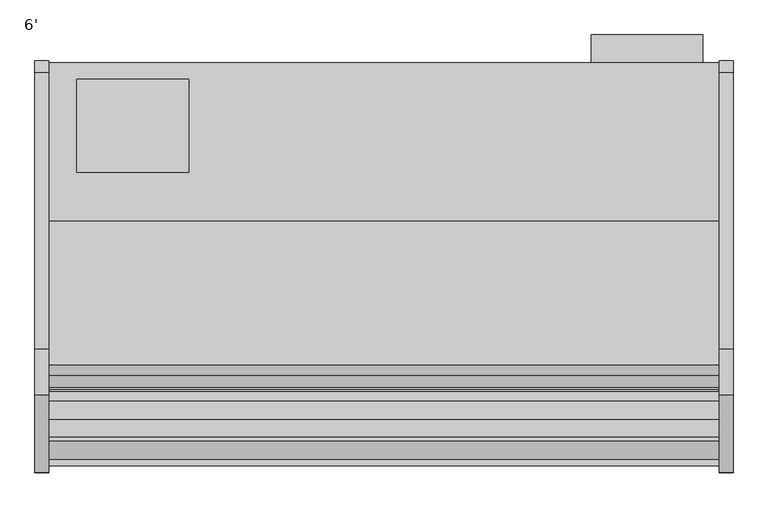
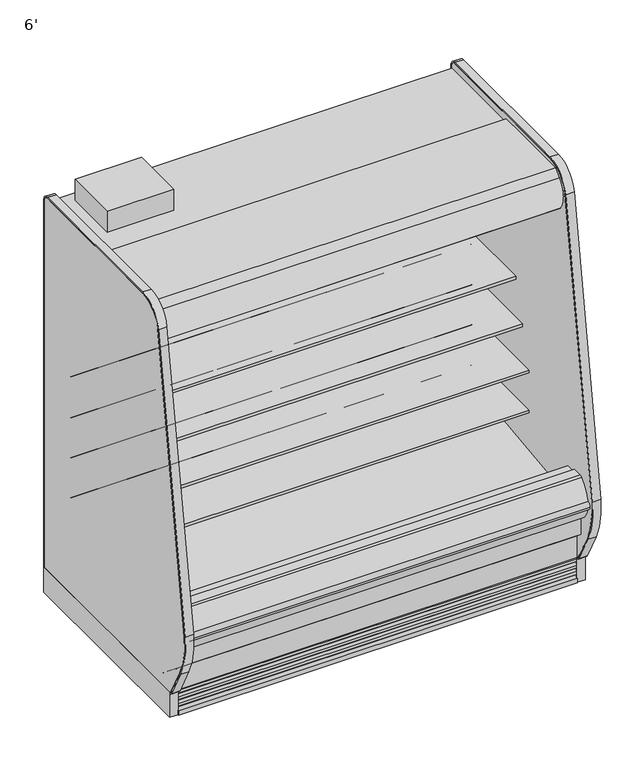
"""IFC4 building model written with IfcOpenShell, lengths in millimetres: proxy geometry, 6'."""

from ifc_helpers import new_model, si_unit, point, frame, frame_2d, origin, origin_with_axes, place, context, project, spatial, polyline, circle_curve, trimmed, segment, composite_curve, outline, extrude, faceted_brep, source, transform, mapped, element, save
from ifc_brep_helpers import plane_surface, revolved_surface, advanced_brep


def proxy_6_bc4890c7(model_context):
    return source(origin(), model_context, "Body", "SolidModel", [
        extrude(outline(polyline([(1784.0493176, -325.3089273), (1784.0493176, -401.5089273), (1479.5920708, -401.5089273), (1479.5920708, -325.3089273), (1784.0493176, -325.3089273)])), frame((0.0, 0.0, 249.9360001), z_axis=(0.0, 0.0, 1.0), x_axis=(1.0, 0.0, 0.0)), (0.0, 0.0, 1.0), 1473.2),
        extrude(outline(polyline([(381.0, -445.9589273), (381.0, -699.9589273), (76.2, -699.9589273), (76.2, -445.9589273), (381.0, -445.9589273)])), frame((0.0, 0.0, 1887.6264001), z_axis=(0.0, 0.0, 1.0), x_axis=(1.0, 0.0, 0.0)), (0.0, 0.0, 1.0), 101.6),
        extrude(outline(composite_curve([segment(trimmed(circle_curve(frame_2d((1581.1390223, -1128.5839273)), 9.525), [point((1571.6140223, -1128.5839273))], [point((1590.6640223, -1128.5839273))], False, "CARTESIAN"), True, "CONTINUOUS"), segment(trimmed(circle_curve(frame_2d((1581.1390223, -1128.5839273)), 9.525), [point((1590.6640223, -1128.5839273))], [point((1571.6140223, -1128.5839273))], False, "CARTESIAN"), True, "CONTINUOUS")], self_intersect=False)), frame((0.0, 0.0, 66.7090149), z_axis=(0.0, 0.0, 1.0), x_axis=(1.0, 0.0, 0.0)), (0.0, 0.0, 1.0), 57.1159851),
        extrude(outline(composite_curve([segment(trimmed(circle_curve(frame_2d((1631.9609777, -1128.5839273)), 12.7), [point((1619.2609777, -1128.5839273))], [point((1644.6609777, -1128.5839273))], False, "CARTESIAN"), True, "CONTINUOUS"), segment(trimmed(circle_curve(frame_2d((1631.9609777, -1128.5839273)), 12.7), [point((1644.6609777, -1128.5839273))], [point((1619.2609777, -1128.5839273))], False, "CARTESIAN"), True, "CONTINUOUS")], self_intersect=False)), frame((0.0, 0.0, 66.7090149), z_axis=(0.0, 0.0, 1.0), x_axis=(1.0, 0.0, 0.0)), (0.0, 0.0, 1.0), 57.1159851),
        extrude(outline(polyline([(-755.1545651, 1783.4415628), (-755.1545651, 1781.6658555), (-767.0608151, 1781.6658555), (-802.7795651, 1757.8533555), (-802.7795651, 1781.6658555), (-823.4170651, 1781.6658555), (-823.4170651, 1723.0879735), (-820.1404345, 1706.9586386), (-821.6961576, 1706.6425977), (-825.0045651, 1722.9283555), (-825.0045651, 1783.4415628), (-755.1545651, 1783.4415628)])), frame((0.0, 0.0, 0.0), z_axis=(1.0, 0.0, 0.0), x_axis=(0.0, 1.0, 0.0)), (0.0, 0.0, 1.0), 1828.8),
        extrude(outline(composite_curve([segment(trimmed(circle_curve(frame_2d((-775.117495, 1753.94528)), 14.2875), [point((-789.404995, 1753.94528))], [point((-760.829995, 1753.94528))], False, "CARTESIAN"), True, "CONTINUOUS"), segment(trimmed(circle_curve(frame_2d((-775.117495, 1753.94528)), 14.2875), [point((-760.829995, 1753.94528))], [point((-789.404995, 1753.94528))], False, "CARTESIAN"), True, "CONTINUOUS")], self_intersect=False)), frame((0.0, 0.0, 0.0), z_axis=(1.0, 0.0, 0.0), x_axis=(0.0, 1.0, 0.0)), (0.0, 0.0, 1.0), 1828.8),
        extrude(outline(composite_curve([segment(polyline([(-504.9331995, 1188.9777893), (-504.9331995, 1113.876763), (-528.313746, 1113.876763)]), True, "CONTINUOUS"), segment(trimmed(circle_curve(frame_2d((-528.7455821, 1139.2730918)), 25.4), [point((-528.313746, 1113.876763))], [point((-544.7229383, 1119.5276091))], False, "CARTESIAN"), True, "CONTINUOUS"), segment(polyline([(-544.7229383, 1119.5276091), (-562.5749995, 1133.9728746)]), True, "CONTINUOUS"), segment(trimmed(circle_curve(frame_2d((-602.5183901, 1084.6091679)), 63.5), [point((-562.5749995, 1133.9728746))], [point((-594.6205089, 1147.6160998))], True, "CARTESIAN"), True, "CONTINUOUS"), segment(polyline([(-594.6205089, 1147.6160998), (-869.1842482, 1171.3132372), (-870.6730247, 1174.7537893), (-911.2738035, 1174.7537893), (-911.2738035, 1188.9777893), (-504.9331995, 1188.9777893)]), True, "CONTINUOUS")], self_intersect=False)), frame((0.0, 0.0, 0.0), z_axis=(1.0, 0.0, 0.0), x_axis=(0.0, 1.0, 0.0)), (0.0, 0.0, 1.0), 1828.8),
        extrude(outline(composite_curve([segment(polyline([(-504.9331995, 990.7659479), (-504.9331995, 915.6649215), (-528.313746, 915.6649215)]), True, "CONTINUOUS"), segment(trimmed(circle_curve(frame_2d((-528.7455821, 941.0612503)), 25.4), [point((-528.313746, 915.6649215))], [point((-544.7229383, 921.3157676))], False, "CARTESIAN"), True, "CONTINUOUS"), segment(polyline([(-544.7229383, 921.3157676), (-562.5749995, 935.7610332)]), True, "CONTINUOUS"), segment(trimmed(circle_curve(frame_2d((-602.5183901, 886.3973264)), 63.5), [point((-562.5749995, 935.7610332))], [point((-594.6205089, 949.4042583))], True, "CARTESIAN"), True, "CONTINUOUS"), segment(polyline([(-594.6205089, 949.4042583), (-869.1842482, 973.1013958), (-870.6730247, 976.5419479), (-962.1331995, 976.5419479), (-962.1331995, 990.7659479), (-504.9331995, 990.7659479)]), True, "CONTINUOUS")], self_intersect=False)), frame((0.0, 0.0, 0.0), z_axis=(1.0, 0.0, 0.0), x_axis=(0.0, 1.0, 0.0)), (0.0, 0.0, 1.0), 1828.8),
        extrude(outline(composite_curve([segment(trimmed(circle_curve(frame_2d((-1161.4667676, 1760.0428978)), 14.2875), [point((-1175.7542676, 1760.0428978))], [point((-1147.1792676, 1760.0428978))], False, "CARTESIAN"), True, "CONTINUOUS"), segment(trimmed(circle_curve(frame_2d((-1161.4667676, 1760.0428978)), 14.2875), [point((-1147.1792676, 1760.0428978))], [point((-1175.7542676, 1760.0428978))], False, "CARTESIAN"), True, "CONTINUOUS")], self_intersect=False)), frame((0.0, 0.0, 0.0), z_axis=(1.0, 0.0, 0.0), x_axis=(0.0, 1.0, 0.0)), (0.0, 0.0, 1.0), 1828.8),
        extrude(outline(composite_curve([segment(trimmed(circle_curve(frame_2d((-1206.5480128, 1760.5691153)), 14.2875), [point((-1220.8355128, 1760.5691153))], [point((-1192.2605128, 1760.5691153))], False, "CARTESIAN"), True, "CONTINUOUS"), segment(trimmed(circle_curve(frame_2d((-1206.5480128, 1760.5691153)), 14.2875), [point((-1192.2605128, 1760.5691153))], [point((-1220.8355128, 1760.5691153))], False, "CARTESIAN"), True, "CONTINUOUS")], self_intersect=False)), frame((0.0, 0.0, 0.0), z_axis=(1.0, 0.0, 0.0), x_axis=(0.0, 1.0, 0.0)), (0.0, 0.0, 1.0), 1828.8),
        extrude(outline(polyline([(744.7751963, -1346.7911816), (435.3523963, -1346.7911816), (435.3523963, -1249.5865659), (744.7751963, -1249.5865659), (744.7751963, -1346.7911816)])), frame((0.0, 0.0, 53.2186364), z_axis=(0.0, 0.0, 1.0), x_axis=(1.0, 0.0, 0.0)), (0.0, 0.0, 1.0), 9.8914),
        faceted_brep([(1828.8, -1207.9589273, 130.175), (1828.8, -1275.0830824, 130.175), (1828.8, -1376.2139578, 211.8249999), (1828.8, -1376.2139578, 10.9768116), (1828.8, -1207.9589273, 10.9768116), (0.0, -1207.9589273, 130.175), (0.0, -1207.9589273, 10.9768116), (0.0, -1376.2139578, 10.9768116), (0.0, -1376.2139578, 211.8249999), (0.0, -1275.0830824, 130.175), (744.7751963, -1346.7911816, 10.9768116), (744.7751963, -1249.5865659, 10.9768116), (435.3523963, -1249.5865659, 10.9768116), (435.3523963, -1346.7911816, 10.9768116), (744.7751963, -1346.7911816, 63.1100364), (435.3523963, -1346.7911816, 63.1100364), (435.3523963, -1249.5865659, 63.1100364), (744.7751963, -1249.5865659, 63.1100364)], [[[0, 1, 2, 3, 4]], [[5, 6, 7, 8, 9]], [[1, 0, 5, 9]], [[2, 1, 9, 8]], [[3, 2, 8, 7]], [[4, 3, 7, 6], [10, 11, 12, 13]], [[0, 4, 6, 5]], [[14, 15, 16, 17]], [[14, 17, 11, 10]], [[17, 16, 12, 11]], [[16, 15, 13, 12]], [[15, 14, 10, 13]]]),
        extrude(outline(composite_curve([segment(trimmed(circle_curve(frame_2d((368.3, 1749.2090336)), 12.7), [point((368.3, 1761.9090336))], [point((368.3, 1736.5090336))], False, "CARTESIAN"), True, "CONTINUOUS"), segment(trimmed(circle_curve(frame_2d((368.3, 1749.2090336)), 12.7), [point((368.3, 1736.5090336))], [point((368.3, 1761.9090336))], False, "CARTESIAN"), True, "CONTINUOUS")], self_intersect=False)), frame((0.0, -447.5561252, 0.0), z_axis=(0.0, 1.0, 0.0), x_axis=(0.0, 0.0, 1.0)), (0.0, 0.0, 1.0), 52.3971979),
        extrude(outline(composite_curve([segment(trimmed(circle_curve(frame_2d((368.3, 1710.7972115)), 9.525), [point((368.3, 1720.3222115))], [point((368.3, 1701.2722115))], False, "CARTESIAN"), True, "CONTINUOUS"), segment(trimmed(circle_curve(frame_2d((368.3, 1710.7972115)), 9.525), [point((368.3, 1701.2722115))], [point((368.3, 1720.3222115))], False, "CARTESIAN"), True, "CONTINUOUS")], self_intersect=False)), frame((0.0, -447.5561252, 0.0), z_axis=(0.0, 1.0, 0.0), x_axis=(0.0, 0.0, 1.0)), (0.0, 0.0, 1.0), 52.3971979),
        extrude(outline(composite_curve([segment(polyline([(-451.7851762, 1837.4360001), (-451.7851762, 404.745884), (-504.9331995, 404.745884), (-504.9331995, 1758.0415628)]), True, "CONTINUOUS"), segment(trimmed(circle_curve(frame_2d((-530.3331995, 1758.0415628)), 25.4), [point((-504.9331995, 1758.0415628))], [point((-530.3331995, 1783.4415628))], True, "CARTESIAN"), True, "CONTINUOUS"), segment(polyline([(-530.3331995, 1783.4415628), (-996.5139611, 1783.4415628), (-996.5139611, 1776.8817932), (-1098.1139599, 1776.8817932), (-1098.1139599, 1837.4360001), (-451.7851762, 1837.4360001)]), True, "CONTINUOUS")], self_intersect=False)), frame((0.0, 0.0, 0.0), z_axis=(1.0, 0.0, 0.0), x_axis=(0.0, 1.0, 0.0)), (0.0, 0.0, 1.0), 1828.8),
        advanced_brep(
        [(1828.8, -1428.7889874, 391.24255), (1828.8, -1428.7889874, 254.2724833), (1828.8, -1275.0830824, 130.175), (1828.8, -401.5089273, 130.175), (1828.8, -401.5089273, 1887.6264001), (1828.8, -1139.2416873, 1887.6264001), (1828.8, -1139.2416873, 1837.4360001), (1828.8, -451.7851762, 1837.4360001), (1828.8, -451.7851762, 363.9695251), (1828.8, -599.5014929, 211.662363), (1828.8, -1043.5931205, 195.6779213), (1828.8, -1096.7050237, 157.095884), (1828.8, -1163.5210307, 157.095884), (1828.8, -1221.5656168, 189.2720563), (1828.8, -1379.2843872, 341.5792153), (1828.8, -1379.2843872, 391.24255), (0.0, -1428.7889874, 391.24255), (0.0, -1379.2843872, 391.24255), (0.0, -1379.2843872, 341.5792153), (0.0, -1221.5656168, 189.2720563), (0.0, -1163.5210307, 157.095884), (0.0, -1096.7050237, 157.095884), (0.0, -1043.5931205, 195.6779213), (0.0, -599.5014929, 211.662363), (0.0, -451.7851762, 363.9695251), (0.0, -451.7851762, 1837.4360001), (0.0, -1139.2416873, 1837.4360001), (0.0, -1139.2416873, 1887.6264001), (0.0, -401.5089273, 1887.6264001), (0.0, -401.5089273, 130.175), (0.0, -1275.0830824, 130.175), (0.0, -1428.7889874, 254.2724833), (1727.2, -401.5089273, 317.5), (1727.2, -401.5089273, 419.1), (1727.2, -447.5561252, 317.5), (1727.2, -447.5561252, 419.1)],
        [
            (0, 1),
            (1, 2),
            (2, 3),
            (3, 4),
            (4, 5),
            (5, 6),
            (6, 7),
            (7, 8),
            (8, 9, circle_curve(frame((1828.8, -605.0132276, 364.7934683), z_axis=(-1.0, 0.0, 0.0), x_axis=(0.0, 1.0, 0.0)), 153.2302667)),
            (9, 10),
            (10, 11),
            (11, 12),
            (12, 13),
            (13, 14, circle_curve(frame((1828.8, -1226.8843872, 341.5792153), z_axis=(-1.0, 0.0, 0.0), x_axis=(0.0, 1.0, 0.0)), 152.4)),
            (14, 15),
            (15, 0),
            (16, 17),
            (17, 18),
            (18, 19, circle_curve(frame((0.0, -1226.8843872, 341.5792153), z_axis=(1.0, 0.0, 0.0), x_axis=(0.0, 1.0, 0.0)), 152.4)),
            (19, 20),
            (20, 21),
            (21, 22),
            (22, 23),
            (23, 24, circle_curve(frame((0.0, -605.0132276, 364.7934683), z_axis=(1.0, 0.0, 0.0), x_axis=(0.0, 1.0, 0.0)), 153.2302667)),
            (24, 25),
            (25, 26),
            (26, 27),
            (27, 28),
            (28, 29),
            (29, 30),
            (30, 31),
            (31, 16),
            (0, 16),
            (31, 1),
            (30, 2),
            (29, 3),
            (28, 4),
            (32, 33, circle_curve(frame((1727.2, -401.5089273, 368.3), z_axis=(0.0, -1.0, 0.0), x_axis=(0.0, 0.0, 1.0)), 50.8)),
            (33, 32, circle_curve(frame((1727.2, -401.5089273, 368.3), z_axis=(0.0, -1.0, 0.0), x_axis=(0.0, 0.0, 1.0)), 50.8)),
            (27, 5),
            (26, 6),
            (25, 7),
            (24, 8),
            (23, 9),
            (22, 10),
            (21, 11),
            (20, 12),
            (19, 13),
            (18, 14),
            (17, 15),
            (34, 35, circle_curve(frame((1727.2, -447.5561252, 368.3), z_axis=(0.0, 1.0, 0.0), x_axis=(0.0, 0.0, 1.0)), 50.8)),
            (35, 34, circle_curve(frame((1727.2, -447.5561252, 368.3), z_axis=(0.0, 1.0, 0.0), x_axis=(0.0, 0.0, 1.0)), 50.8)),
            (35, 33),
            (32, 34),
        ],
        [
            plane_surface(frame((1828.8, -1428.7889874, 254.2724833), z_axis=(1.0, 0.0, 0.0), x_axis=(0.0, 0.0, -1.0))),
            plane_surface(frame((0.0, -1428.7889874, 254.2724833), z_axis=(-1.0, 0.0, 0.0), x_axis=(0.0, 0.0, 1.0))),
            plane_surface(frame((1828.8, -1428.7889874, 391.24255), z_axis=(0.0, -1.0, 0.0), x_axis=(-1.0, 0.0, 0.0))),
            plane_surface(frame((1828.8, -1428.7889874, 254.2724833), z_axis=(0.0, -0.6281851642637378, -0.7780638787393622), x_axis=(-1.0, 0.0, 0.0))),
            plane_surface(frame((1828.8, -1275.0830824, 130.175), z_axis=(0.0, 0.0, -1.0), x_axis=(-1.0, 0.0, 0.0))),
            plane_surface(frame((1828.8, -401.5089273, 130.175), z_axis=(0.0, 1.0, 0.0), x_axis=(-1.0, 0.0, 0.0))),
            plane_surface(frame((1828.8, -401.5089273, 1887.6264001), z_axis=(0.0, 0.0, 1.0), x_axis=(-1.0, 0.0, 0.0))),
            plane_surface(frame((1828.8, -1139.2416873, 1887.6264001), z_axis=(0.0, -1.0, 0.0), x_axis=(-1.0, 0.0, 0.0))),
            plane_surface(frame((1828.8, -1139.2416873, 1837.4360001), z_axis=(0.0, 0.0, -1.0), x_axis=(-1.0, 0.0, 0.0))),
            plane_surface(frame((1828.8, -451.7851762, 1837.4360001), z_axis=(0.0, -1.0, 0.0), x_axis=(-1.0, 0.0, 0.0))),
            revolved_surface(polyline([(0.0, -451.78296090000003, 364.7934683), (1828.8, -451.78296090000003, 364.7934683)]), (0.0, -605.0132276, 364.7934683), (-1.0, 0.0, 0.0)),
            plane_surface(frame((1828.8, -599.5014929, 211.662363), z_axis=(0.0, -0.035970274152171335, 0.9993528602938092), x_axis=(-1.0, 0.0, 0.0))),
            plane_surface(frame((1828.8, -1043.5931205, 195.6779213), z_axis=(0.0, -0.5877252382160976, 0.8090605937529224), x_axis=(-1.0, 0.0, 0.0))),
            plane_surface(frame((1828.8, -1096.7050237, 157.095884), z_axis=(0.0, 0.0, 1.0), x_axis=(-1.0, 0.0, 0.0))),
            plane_surface(frame((1828.8, -1163.5210307, 157.095884), z_axis=(0.0, 0.48482728759131516, 0.8746099137368889), x_axis=(-1.0, 0.0, 0.0))),
            revolved_surface(polyline([(0.0, -1074.4843872, 341.5792153), (1828.8, -1074.4843872, 341.5792153)]), (0.0, -1226.8843872, 341.5792153), (-1.0, 0.0, 0.0)),
            plane_surface(frame((1828.8, -1379.2843872, 341.5792153), z_axis=(0.0, 1.0, 0.0), x_axis=(-1.0, 0.0, 0.0))),
            plane_surface(frame((1828.8, -1379.2843872, 391.24255), z_axis=(0.0, 0.0, 1.0), x_axis=(-1.0, 0.0, 0.0))),
            plane_surface(frame((1727.2, -447.5561252, 419.1), z_axis=(0.0, 1.0, 0.0), x_axis=(-1.0, 0.0, 0.0))),
            revolved_surface(polyline([(1727.2, -447.5561252, 419.1), (1727.2, -401.5089273, 419.1)]), (1727.2, -401.5089273, 368.3), (0.0, -1.0, 0.0)),
        ],
        [
            (0, [[1, 2, 3, 4, 5, 6, 7, 8, 9, 10, 11, 12, 13, 14, 15, 16]]),
            (1, [[17, 18, 19, 20, 21, 22, 23, 24, 25, 26, 27, 28, 29, 30, 31, 32]]),
            (2, [[-1, 33, -32, 34]]),
            (3, [[-2, -34, -31, 35]]),
            (4, [[-3, -35, -30, 36]]),
            (5, [[-4, -36, -29, 37], [38, 39]]),
            (6, [[-5, -37, -28, 40]]),
            (7, [[-6, -40, -27, 41]]),
            (8, [[-7, -41, -26, 42]]),
            (9, [[-8, -42, -25, 43]]),
            (10, [[-9, -43, -24, 44]]),
            (11, [[-10, -44, -23, 45]]),
            (12, [[-11, -45, -22, 46]]),
            (13, [[-12, -46, -21, 47]]),
            (14, [[-13, -47, -20, 48]]),
            (15, [[-14, -48, -19, 49]]),
            (16, [[-15, -49, -18, 50]]),
            (17, [[-16, -50, -17, -33]]),
            (18, [[51, 52]]),
            (19, [[-52, 53, -38, 54]]),
            (19, [[-51, -54, -39, -53]]),
        ],
    ),
        extrude(outline(composite_curve([segment(polyline([(-1324.3309113, 373.0751999), (-1297.0132113, 373.0751999), (-1291.5716401, 375.0168392), (-610.6406734, 456.5929299), (-610.1926758, 450.1862651), (-516.7472923, 456.7206028)]), True, "CONTINUOUS"), segment(trimmed(circle_curve(frame_2d((-517.6331995, 469.3896663)), 12.7), [point((-516.7472923, 456.7206028))], [point((-504.9331995, 469.3896663))], True, "CARTESIAN"), True, "CONTINUOUS"), segment(polyline([(-504.9331995, 469.3896663), (-504.9331995, 404.745884), (-451.7851762, 404.745884), (-451.7851762, 363.9695251)]), True, "CONTINUOUS"), segment(trimmed(circle_curve(frame_2d((-605.0132276, 364.7934683)), 153.2302667), [point((-451.7851762, 363.9695251))], [point((-599.5014929, 211.662363))], False, "CARTESIAN"), True, "CONTINUOUS"), segment(polyline([(-599.5014929, 211.662363), (-1043.5931205, 195.6779213), (-1096.7050237, 157.095884), (-1163.5210307, 157.095884), (-1221.5656168, 189.2720563)]), True, "CONTINUOUS"), segment(trimmed(circle_curve(frame_2d((-1226.8843872, 341.5792153)), 152.4), [point((-1221.5656168, 189.2720563))], [point((-1379.2843872, 341.5792153))], False, "CARTESIAN"), True, "CONTINUOUS"), segment(polyline([(-1379.2843872, 341.5792153), (-1379.2843872, 521.2079999), (-1324.3309113, 521.2079999), (-1324.3309113, 373.0751999)]), True, "CONTINUOUS")], self_intersect=False)), frame((0.0, 0.0, 0.0), z_axis=(1.0, 0.0, 0.0), x_axis=(0.0, 1.0, 0.0)), (0.0, 0.0, 1.0), 1828.8),
        extrude(outline(composite_curve([segment(trimmed(circle_curve(frame_2d((914.4, -1128.5839273)), 38.1), [point((876.3, -1128.5839273))], [point((952.5, -1128.5839273))], False, "CARTESIAN"), True, "CONTINUOUS"), segment(trimmed(circle_curve(frame_2d((914.4, -1128.5839273)), 38.1), [point((952.5, -1128.5839273))], [point((876.3, -1128.5839273))], False, "CARTESIAN"), True, "CONTINUOUS")], self_intersect=False)), frame((0.0, 0.0, 66.7090149), z_axis=(0.0, 0.0, 1.0), x_axis=(1.0, 0.0, 0.0)), (0.0, 0.0, 1.0), 57.1159851),
        advanced_brep(
        [(1828.8, -401.5089273, 0.0), (1828.8, -401.5089273, 130.175), (1828.8, -1207.9589273, 130.175), (1828.8, -1207.9589273, 0.0), (1828.8, -1161.1594273, 0.0), (1828.8, -1161.1594273, 74.8810382), (1828.8, -446.7209273, 74.8810382), (1828.8, -446.7209273, 0.0), (0.0, -401.5089273, 0.0), (0.0, -446.7209273, 0.0), (0.0, -446.7209273, 74.8810382), (0.0, -1161.1594273, 74.8810382), (0.0, -1161.1594273, 0.0), (0.0, -1207.9589273, 0.0), (0.0, -1207.9589273, 130.175), (0.0, -401.5089273, 130.175), (875.4195331, -1161.1594273, 0.0), (953.3804669, -1161.1594273, 0.0), (1567.5695331, -1161.1594273, 0.0), (1645.5304669, -1161.1594273, 0.0), (1645.5304669, -1161.1594273, 74.8810382), (875.4195331, -1161.1594273, 74.8810382), (953.3804669, -1161.1594273, 74.8810382), (1567.5695331, -1161.1594273, 74.8810382), (1657.35, -1128.5839273, 74.8810382), (1555.75, -1128.5839273, 74.8810382), (965.2, -1128.5839273, 74.8810382), (863.6, -1128.5839273, 74.8810382), (863.6, -1128.5839273, 123.825), (965.2, -1128.5839273, 123.825), (1555.75, -1128.5839273, 123.825), (1657.35, -1128.5839273, 123.825)],
        [
            (0, 1),
            (1, 2),
            (2, 3),
            (3, 4),
            (4, 5),
            (5, 6),
            (6, 7),
            (7, 0),
            (8, 9),
            (9, 10),
            (10, 11),
            (11, 12),
            (12, 13),
            (13, 14),
            (14, 15),
            (15, 8),
            (0, 8),
            (15, 1),
            (14, 2),
            (13, 3),
            (12, 16),
            (16, 17, circle_curve(frame((914.4, -1128.5839273, 0.0), z_axis=(0.0, 0.0, 1.0), x_axis=(1.0, 0.0, 0.0)), 50.8)),
            (17, 18),
            (18, 19, circle_curve(frame((1606.55, -1128.5839273, 0.0), z_axis=(0.0, 0.0, 1.0), x_axis=(1.0, 0.0, 0.0)), 50.8)),
            (19, 4),
            (19, 20),
            (20, 5),
            (11, 21),
            (21, 16),
            (17, 22),
            (22, 23),
            (23, 18),
            (20, 24, circle_curve(frame((1606.55, -1128.5839273, 74.8810382), z_axis=(0.0, 0.0, 1.0), x_axis=(1.0, 0.0, 0.0)), 50.8)),
            (24, 25, circle_curve(frame((1606.55, -1128.5839273, 74.8810382), z_axis=(0.0, 0.0, 1.0), x_axis=(1.0, 0.0, 0.0)), 50.8)),
            (25, 23, circle_curve(frame((1606.55, -1128.5839273, 74.8810382), z_axis=(0.0, 0.0, 1.0), x_axis=(1.0, 0.0, 0.0)), 50.8)),
            (22, 26, circle_curve(frame((914.4, -1128.5839273, 74.8810382), z_axis=(0.0, 0.0, 1.0), x_axis=(1.0, 0.0, 0.0)), 50.8)),
            (26, 27, circle_curve(frame((914.4, -1128.5839273, 74.8810382), z_axis=(0.0, 0.0, 1.0), x_axis=(1.0, 0.0, 0.0)), 50.8)),
            (27, 21, circle_curve(frame((914.4, -1128.5839273, 74.8810382), z_axis=(0.0, 0.0, 1.0), x_axis=(1.0, 0.0, 0.0)), 50.8)),
            (10, 6),
            (9, 7),
            (28, 29, circle_curve(frame((914.4, -1128.5839273, 123.825), z_axis=(0.0, 0.0, -1.0), x_axis=(1.0, 0.0, 0.0)), 50.8)),
            (29, 28, circle_curve(frame((914.4, -1128.5839273, 123.825), z_axis=(0.0, 0.0, -1.0), x_axis=(1.0, 0.0, 0.0)), 50.8)),
            (29, 26),
            (27, 28),
            (30, 31, circle_curve(frame((1606.55, -1128.5839273, 123.825), z_axis=(0.0, 0.0, -1.0), x_axis=(1.0, 0.0, 0.0)), 50.8)),
            (31, 30, circle_curve(frame((1606.55, -1128.5839273, 123.825), z_axis=(0.0, 0.0, -1.0), x_axis=(1.0, 0.0, 0.0)), 50.8)),
            (31, 24),
            (25, 30),
        ],
        [
            plane_surface(frame((1828.8, -401.5089273, 1893.5715584), z_axis=(1.0, 0.0, 0.0), x_axis=(0.0, 0.0, 1.0))),
            plane_surface(frame((0.0, -401.5089273, 1893.5715584), z_axis=(-1.0, 0.0, 0.0), x_axis=(0.0, 0.0, -1.0))),
            plane_surface(frame((1828.8, -401.5089273, 0.0), z_axis=(0.0, 1.0, 0.0), x_axis=(-1.0, 0.0, 0.0))),
            plane_surface(frame((1828.8, -401.5089273, 130.175), z_axis=(0.0, 0.0, 1.0), x_axis=(-1.0, 0.0, 0.0))),
            plane_surface(frame((1828.8, -1207.9589273, 130.175), z_axis=(0.0, -1.0, 0.0), x_axis=(-1.0, 0.0, 0.0))),
            plane_surface(frame((1828.8, -1207.9589273, 0.0), z_axis=(0.0, 0.0, -1.0), x_axis=(-1.0, 0.0, 0.0))),
            plane_surface(frame((1828.8, -1161.1594273, 0.0), z_axis=(0.0, 1.0, 0.0), x_axis=(-1.0, 0.0, 0.0))),
            plane_surface(frame((1828.8, -1161.1594273, 74.8810382), z_axis=(0.0, 0.0, -1.0), x_axis=(-1.0, 0.0, 0.0))),
            plane_surface(frame((1828.8, -446.7209273, 74.8810382), z_axis=(0.0, -1.0, 0.0), x_axis=(-1.0, 0.0, 0.0))),
            plane_surface(frame((1828.8, -446.7209273, 0.0), z_axis=(0.0, 0.0, -1.0), x_axis=(-1.0, 0.0, 0.0))),
            plane_surface(frame((965.2, -1128.5839273, 123.825), z_axis=(0.0, 0.0, -1.0), x_axis=(0.0, 1.0, 0.0))),
            revolved_surface(polyline([(965.1999999999999, -1128.5839273, 123.825), (965.1999999999999, -1128.5839273, 0.0)]), (914.4, -1128.5839273, 0.0), (0.0, 0.0, 1.0)),
            revolved_surface(polyline([(965.1999999999999, -1128.5839273, 123.825), (965.1999999999999, -1128.5839273, 74.8810382)]), (914.4, -1128.5839273, 0.0), (0.0, 0.0, 1.0)),
            plane_surface(frame((1657.35, -1128.5839273, 123.825), z_axis=(0.0, 0.0, -1.0), x_axis=(0.0, 1.0, 0.0))),
            revolved_surface(polyline([(1657.35, -1128.5839273, 123.825), (1657.35, -1128.5839273, 0.0)]), (1606.55, -1128.5839273, 0.0), (0.0, 0.0, 1.0)),
            revolved_surface(polyline([(1657.35, -1128.5839273, 123.825), (1657.35, -1128.5839273, 74.8810382)]), (1606.55, -1128.5839273, 0.0), (0.0, 0.0, 1.0)),
        ],
        [
            (0, [[1, 2, 3, 4, 5, 6, 7, 8]]),
            (1, [[9, 10, 11, 12, 13, 14, 15, 16]]),
            (2, [[-1, 17, -16, 18]]),
            (3, [[-2, -18, -15, 19]]),
            (4, [[-3, -19, -14, 20]]),
            (5, [[-4, -20, -13, 21, 22, 23, 24, 25]]),
            (6, [[-5, -25, 26, 27]]),
            (6, [[-12, 28, 29, -21]]),
            (6, [[30, 31, 32, -23]]),
            (7, [[-6, -27, 33, 34, 35, -31, 36, 37, 38, -28, -11, 39]]),
            (8, [[-7, -39, -10, 40]]),
            (9, [[-8, -40, -9, -17]]),
            (10, [[41, 42]]),
            (11, [[-42, 43, -36, -30, -22, -29, -38, 44]]),
            (12, [[-41, -44, -37, -43]]),
            (13, [[45, 46]]),
            (14, [[-46, 47, -33, -26, -24, -32, -35, 48]]),
            (15, [[-45, -48, -34, -47]]),
        ],
    ),
        extrude(outline(polyline([(1828.8, -996.5139611), (1828.8, -1098.1139599), (0.0, -1098.1139599), (0.0, -996.5139611), (1828.8, -996.5139611)])), frame((0.0, 0.0, 1751.481792), z_axis=(0.0, 0.0, 1.0), x_axis=(1.0, 0.0, 0.0)), (0.0, 0.0, 1.0), 25.4000011),
        extrude(outline(composite_curve([segment(polyline([(-834.1197918, 1887.6264001), (-1139.2416873, 1887.6264001), (-1139.2416873, 1837.4360001), (-1098.1139599, 1837.4360001), (-1098.1139599, 1751.481792), (-1102.0441706, 1751.481792), (-1145.2982964, 1778.3902586), (-1229.1846298, 1778.3902586), (-1234.6028577, 1749.0156271), (-1242.6978272, 1742.4581239), (-1244.4566599, 1736.6057625), (-1247.8744356, 1731.2734097)]), True, "CONTINUOUS"), segment(trimmed(circle_curve(frame_2d((-1254.9813118, 1735.8285676)), 8.4413951), [point((-1247.8744356, 1731.2734097))], [point((-1261.3923737, 1730.337171))], False, "CARTESIAN"), True, "CONTINUOUS"), segment(trimmed(circle_curve(frame_2d((-1181.3177231, 1798.9251311)), 105.4336661), [point((-1261.3923737, 1730.337171))], [point((-1254.3783459, 1874.9409409))], False, "CARTESIAN"), True, "CONTINUOUS"), segment(trimmed(circle_curve(frame_2d((-1689.0901415, 2329.2650658)), 628.7962752), [point((-1254.3783459, 1874.9409409))], [point((-1224.995421, 1905.0))], True, "CARTESIAN"), True, "CONTINUOUS"), segment(polyline([(-1224.995421, 1905.0), (-834.1197918, 1905.0), (-834.1197918, 1887.6264001)]), True, "CONTINUOUS")], self_intersect=False)), frame((0.0, 0.0, 0.0), z_axis=(1.0, 0.0, 0.0), x_axis=(0.0, 1.0, 0.0)), (0.0, 0.0, 1.0), 1828.8),
        extrude(outline(polyline([(-524.5538195, 1504.4404382), (-699.0292362, 1749.045951), (-692.6360518, 1751.0180598), (-519.384186, 1508.127902), (-524.5538195, 1504.4404382)])), frame((0.0, 0.0, 0.0), z_axis=(1.0, 0.0, 0.0), x_axis=(0.0, 1.0, 0.0)), (0.0, 0.0, 1.0), 1828.8),
        extrude(outline(composite_curve([segment(polyline([(-504.9331995, 1528.8244166), (-504.9331995, 1490.7251669)]), True, "CONTINUOUS"), segment(trimmed(circle_curve(frame_2d((-507.7906995, 1490.7251669)), 2.8575), [point((-504.9331995, 1490.7251669))], [point((-506.6741853, 1488.0948242))], False, "CARTESIAN"), True, "CONTINUOUS"), segment(polyline([(-506.6741853, 1488.0948242), (-515.7704668, 1484.2336819)]), True, "CONTINUOUS"), segment(trimmed(circle_curve(frame_2d((-516.8869809, 1486.8640245)), 2.8575), [point((-515.7704668, 1484.2336819))], [point((-519.4330321, 1485.5667466))], False, "CARTESIAN"), True, "CONTINUOUS"), segment(polyline([(-519.4330321, 1485.5667466), (-527.3608411, 1501.125948)]), True, "CONTINUOUS"), segment(trimmed(circle_curve(frame_2d((-526.2292629, 1501.7025159)), 1.27), [point((-527.3608411, 1501.125948))], [point((-526.8058308, 1502.8340942))], False, "CARTESIAN"), True, "CONTINUOUS"), segment(polyline([(-526.8058308, 1502.8340942), (-519.384186, 1508.127902), (-507.5996446, 1491.6065843), (-506.2031995, 1490.7251669), (-506.2031995, 1528.8244166), (-504.9331995, 1528.8244166)]), True, "CONTINUOUS")], self_intersect=False)), frame((0.0, 0.0, 0.0), z_axis=(1.0, 0.0, 0.0), x_axis=(0.0, 1.0, 0.0)), (0.0, 0.0, 1.0), 1828.8),
        extrude(outline(composite_curve([segment(polyline([(-697.0188534, 1757.162521), (-692.6360518, 1751.0180598), (-701.6311946, 1748.2433237)]), True, "CONTINUOUS"), segment(trimmed(circle_curve(frame_2d((-702.2914708, 1750.3838079)), 2.2400083), [point((-701.6311946, 1748.2433237))], [point((-703.4764456, 1748.4828943))], False, "CARTESIAN"), True, "CONTINUOUS"), segment(polyline([(-703.4764456, 1748.4828943), (-727.5060675, 1782.1711818), (-743.3810675, 1782.1711818), (-743.3810675, 1783.4411818), (-727.5060675, 1783.4411818)]), True, "CONTINUOUS"), segment(trimmed(circle_curve(frame_2d((-727.5060675, 1782.1711818)), 1.27), [point((-727.5060675, 1783.4411818))], [point((-726.4721408, 1782.9086746))], False, "CARTESIAN"), True, "CONTINUOUS"), segment(polyline([(-726.4721408, 1782.9086746), (-714.3244423, 1765.8782294), (-704.636549, 1772.7885365)]), True, "CONTINUOUS"), segment(trimmed(circle_curve(frame_2d((-703.8990563, 1771.7546097)), 1.27), [point((-704.636549, 1772.7885365))], [point((-702.8651296, 1772.4921025))], False, "CARTESIAN"), True, "CONTINUOUS"), segment(polyline([(-702.8651296, 1772.4921025), (-693.6464701, 1759.5680186), (-697.0188534, 1757.162521)]), True, "CONTINUOUS")], self_intersect=False)), frame((0.0, 0.0, 0.0), z_axis=(1.0, 0.0, 0.0), x_axis=(0.0, 1.0, 0.0)), (0.0, 0.0, 1.0), 1828.8),
        extrude(outline(composite_curve([segment(polyline([(-504.9331995, 603.1377781), (-504.9331995, 528.0367518), (-528.313746, 528.0367518)]), True, "CONTINUOUS"), segment(trimmed(circle_curve(frame_2d((-528.7455821, 553.4330806)), 25.4), [point((-528.313746, 528.0367518))], [point((-544.7229383, 533.6875979))], False, "CARTESIAN"), True, "CONTINUOUS"), segment(polyline([(-544.7229383, 533.6875979), (-562.5749995, 548.1328634)]), True, "CONTINUOUS"), segment(trimmed(circle_curve(frame_2d((-602.5183901, 498.7691567)), 63.5), [point((-562.5749995, 548.1328634))], [point((-594.6205089, 561.7760886))], True, "CARTESIAN"), True, "CONTINUOUS"), segment(polyline([(-594.6205089, 561.7760886), (-869.1842482, 585.473226), (-870.6730247, 588.9137781), (-1012.9331995, 588.9137781), (-1012.9331995, 603.1377781), (-504.9331995, 603.1377781)]), True, "CONTINUOUS")], self_intersect=False)), frame((0.0, 0.0, 0.0), z_axis=(1.0, 0.0, 0.0), x_axis=(0.0, 1.0, 0.0)), (0.0, 0.0, 1.0), 1828.8),
        extrude(outline(composite_curve([segment(polyline([(-504.9331995, 796.951863), (-504.9331995, 721.8508366), (-528.313746, 721.8508366)]), True, "CONTINUOUS"), segment(trimmed(circle_curve(frame_2d((-528.7455821, 747.2471655)), 25.4), [point((-528.313746, 721.8508366))], [point((-544.7229383, 727.5016828))], False, "CARTESIAN"), True, "CONTINUOUS"), segment(polyline([(-544.7229383, 727.5016828), (-562.5749995, 741.9469483)]), True, "CONTINUOUS"), segment(trimmed(circle_curve(frame_2d((-602.5183901, 692.5832415)), 63.5), [point((-562.5749995, 741.9469483))], [point((-594.6205089, 755.5901735))], True, "CARTESIAN"), True, "CONTINUOUS"), segment(polyline([(-594.6205089, 755.5901735), (-869.1842482, 779.2873109), (-870.6730247, 782.727863), (-1012.9331995, 782.727863), (-1012.9331995, 796.951863), (-504.9331995, 796.951863)]), True, "CONTINUOUS")], self_intersect=False)), frame((0.0, 0.0, 0.0), z_axis=(1.0, 0.0, 0.0), x_axis=(0.0, 1.0, 0.0)), (0.0, 0.0, 1.0), 1828.8),
        extrude(outline(composite_curve([segment(trimmed(circle_curve(frame_2d((-1483.1743585, 428.625)), 17.2640772), [point((-1500.4384357, 428.625))], [point((-1465.9102813, 428.625))], False, "CARTESIAN"), True, "CONTINUOUS"), segment(trimmed(circle_curve(frame_2d((-1483.1743585, 428.625)), 17.2640772), [point((-1465.9102813, 428.625))], [point((-1500.4384357, 428.625))], False, "CARTESIAN"), True, "CONTINUOUS")], self_intersect=False)), frame((0.0, 0.0, 0.0), z_axis=(1.0, 0.0, 0.0), x_axis=(0.0, 1.0, 0.0)), (0.0, 0.0, 1.0), 1828.8),
        extrude(outline(composite_curve([segment(polyline([(-1375.5997913, 521.2079999), (-1379.2843872, 521.2079999), (-1379.2843872, 391.24255), (-1428.7889874, 391.24255), (-1428.7889874, 350.0194213), (-1453.2591168, 350.0194213)]), True, "CONTINUOUS"), segment(trimmed(circle_curve(frame_2d((-1358.032609, 434.0486555)), 126.9999999), [point((-1453.2591168, 350.0194213))], [point((-1482.9898477, 411.3619088))], False, "CARTESIAN"), True, "CONTINUOUS"), segment(trimmed(circle_curve(frame_2d((-1483.1743585, 428.625)), 17.2640772), [point((-1482.9898477, 411.3619088))], [point((-1465.9102813, 428.625))], True, "CARTESIAN"), True, "CONTINUOUS"), segment(trimmed(circle_curve(frame_2d((-1483.1743585, 428.625)), 17.2640772), [point((-1465.9102813, 428.625))], [point((-1483.4541442, 445.8868099))], True, "CARTESIAN"), True, "CONTINUOUS"), segment(trimmed(circle_curve(frame_2d((-1311.1712796, 402.089233)), 177.7628003), [point((-1483.4541442, 445.8868099))], [point((-1431.9539384, 532.5160803))], False, "CARTESIAN"), True, "CONTINUOUS"), segment(trimmed(circle_curve(frame_2d((-1421.0971419, 520.7923962)), 15.9785731), [point((-1431.9539384, 532.5160803))], [point((-1421.1927913, 536.770683))], False, "CARTESIAN"), True, "CONTINUOUS"), segment(polyline([(-1421.1927913, 536.770683), (-1375.5997913, 536.770683), (-1375.5997913, 521.2079999)]), True, "CONTINUOUS")], self_intersect=False)), frame((0.0, 0.0, 0.0), z_axis=(1.0, 0.0, 0.0), x_axis=(0.0, 1.0, 0.0)), (0.0, 0.0, 1.0), 1828.8),
        extrude(outline(composite_curve([segment(polyline([(-1398.4856252, 0.0), (-1398.4856252, 21.4794805)]), True, "CONTINUOUS"), segment(trimmed(circle_curve(frame_2d((-1397.9498016, 35.1748572)), 13.7058546), [point((-1398.4856252, 21.4794805))], [point((-1384.8678223, 31.0867934))], True, "CARTESIAN"), True, "CONTINUOUS"), segment(polyline([(-1384.8678223, 31.0867934), (-1381.3787252, 42.2520535), (-1392.0159205, 40.0942307), (-1394.0098205, 40.0942307), (-1394.0098205, 52.7942307)]), True, "CONTINUOUS"), segment(trimmed(circle_curve(frame_2d((-1398.4276882, 66.2963779)), 14.2065314), [point((-1394.0098205, 52.7942307))], [point((-1384.8678223, 62.0589765))], True, "CARTESIAN"), True, "CONTINUOUS"), segment(polyline([(-1384.8678223, 62.0589765), (-1381.3787252, 73.2242366), (-1392.0159205, 71.0664138), (-1394.0098205, 71.0664138), (-1394.0098205, 83.7664138)]), True, "CONTINUOUS"), segment(trimmed(circle_curve(frame_2d((-1398.5000636, 97.3399774)), 14.2969897), [point((-1394.0098205, 83.7664138))], [point((-1384.8678223, 93.0311596))], True, "CARTESIAN"), True, "CONTINUOUS"), segment(polyline([(-1384.8678223, 93.0311596), (-1381.3787252, 104.0699677), (-1392.0159205, 102.0387838), (-1394.0098205, 102.0387838), (-1394.0098205, 114.7387838)]), True, "CONTINUOUS"), segment(trimmed(circle_curve(frame_2d((-1393.4120559, 125.7034438)), 10.9809422), [point((-1394.0098205, 114.7387838))], [point((-1385.6263217, 117.9598377))], True, "CARTESIAN"), True, "CONTINUOUS"), segment(polyline([(-1385.6263217, 117.9598377), (-1385.6263217, 121.5911682), (-1396.0752794, 121.5911682), (-1396.0752794, 227.8604282), (-1376.2139578, 211.8249999), (-1376.2139578, 0.0), (-1398.4856252, 0.0)]), True, "CONTINUOUS")], self_intersect=False)), frame((0.0, 0.0, 0.0), z_axis=(1.0, 0.0, 0.0), x_axis=(0.0, 1.0, 0.0)), (0.0, 0.0, 1.0), 1828.8),
        extrude(outline(composite_curve([segment(polyline([(-401.5089273, 123.825), (-1398.1411098, 123.825)]), True, "CONTINUOUS"), segment(trimmed(circle_curve(frame_2d((-1398.1411098, 131.2778251)), 7.4528251), [point((-1398.1411098, 123.825))], [point((-1404.7404092, 127.8146114))], False, "CARTESIAN"), True, "CONTINUOUS"), segment(polyline([(-1404.7404092, 127.8146114), (-1476.0320497, 263.6638308)]), True, "CONTINUOUS"), segment(trimmed(circle_curve(frame_2d((-1178.0250273, 420.0534632)), 336.55), [point((-1476.0320497, 263.6638308))], [point((-1511.8709177, 462.6307339))], False, "CARTESIAN"), True, "CONTINUOUS"), segment(polyline([(-1511.8709177, 462.6307339), (-1300.2300649, 1822.743035)]), True, "CONTINUOUS"), segment(trimmed(circle_curve(frame_2d((-1181.014716, 1804.19248)), 120.65), [point((-1300.2300649, 1822.743035))], [point((-1181.014716, 1924.84248))], False, "CARTESIAN"), True, "CONTINUOUS"), segment(polyline([(-1181.014716, 1924.84248), (-426.9089273, 1924.84248)]), True, "CONTINUOUS"), segment(trimmed(circle_curve(frame_2d((-426.9089273, 1899.44248)), 25.4), [point((-426.9089273, 1924.84248))], [point((-401.5089273, 1899.44248))], False, "CARTESIAN"), True, "CONTINUOUS"), segment(polyline([(-401.5089273, 1899.44248), (-401.5089273, 123.825)]), True, "CONTINUOUS")], self_intersect=False)), frame((1828.8, 0.0, 0.0), z_axis=(1.0, 0.0, 0.0), x_axis=(0.0, 1.0, 0.0)), (0.0, 0.0, 1.0), 38.1),
        extrude(outline(composite_curve([segment(polyline([(-401.5089273, 123.825), (-401.5089273, 1899.44248)]), True, "CONTINUOUS"), segment(trimmed(circle_curve(frame_2d((-426.9089273, 1899.44248)), 25.4), [point((-401.5089273, 1899.44248))], [point((-426.9089273, 1924.84248))], True, "CARTESIAN"), True, "CONTINUOUS"), segment(polyline([(-426.9089273, 1924.84248), (-1181.014716, 1924.84248)]), True, "CONTINUOUS"), segment(trimmed(circle_curve(frame_2d((-1181.014716, 1804.19248)), 120.65), [point((-1181.014716, 1924.84248))], [point((-1300.2300649, 1822.743035))], True, "CARTESIAN"), True, "CONTINUOUS"), segment(polyline([(-1300.2300649, 1822.743035), (-1511.8709177, 462.6307339)]), True, "CONTINUOUS"), segment(trimmed(circle_curve(frame_2d((-1178.0250273, 420.0534632)), 336.55), [point((-1511.8709177, 462.6307339))], [point((-1476.0320497, 263.6638308))], True, "CARTESIAN"), True, "CONTINUOUS"), segment(polyline([(-1476.0320497, 263.6638308), (-1404.7404092, 127.8146114)]), True, "CONTINUOUS"), segment(trimmed(circle_curve(frame_2d((-1398.1411098, 131.2778251)), 7.4528251), [point((-1404.7404092, 127.8146114))], [point((-1398.1411098, 123.825))], True, "CARTESIAN"), True, "CONTINUOUS"), segment(polyline([(-1398.1411098, 123.825), (-1398.1411098, 117.475)]), True, "CONTINUOUS"), segment(trimmed(circle_curve(frame_2d((-1398.1411098, 131.2778251)), 13.8028251), [point((-1398.1411098, 117.475))], [point((-1410.3631833, 124.8638636))], False, "CARTESIAN"), True, "CONTINUOUS"), segment(polyline([(-1410.3631833, 124.8638636), (-1481.6548237, 260.713083)]), True, "CONTINUOUS"), segment(trimmed(circle_curve(frame_2d((-1178.0250273, 420.0534632)), 342.9), [point((-1481.6548237, 260.713083))], [point((-1518.1587806, 463.5211508))], False, "CARTESIAN"), True, "CONTINUOUS"), segment(polyline([(-1518.1587806, 463.5211508), (-1306.5045569, 1823.71938)]), True, "CONTINUOUS"), segment(trimmed(circle_curve(frame_2d((-1181.014716, 1804.19248)), 127.0), [point((-1306.5045569, 1823.71938))], [point((-1181.014716, 1931.19248))], False, "CARTESIAN"), True, "CONTINUOUS"), segment(polyline([(-1181.014716, 1931.19248), (-426.9089273, 1931.19248)]), True, "CONTINUOUS"), segment(trimmed(circle_curve(frame_2d((-426.9089273, 1899.44248)), 31.75), [point((-426.9089273, 1931.19248))], [point((-395.1589273, 1899.44248))], False, "CARTESIAN"), True, "CONTINUOUS"), segment(polyline([(-395.1589273, 1899.44248), (-395.1589273, 123.825), (-401.5089273, 123.825)]), True, "CONTINUOUS")], self_intersect=False)), frame((1828.8, 0.0, 0.0), z_axis=(1.0, 0.0, 0.0), x_axis=(0.0, 1.0, 0.0)), (0.0, 0.0, 1.0), 38.1),
        extrude(outline(polyline([(1866.9, -395.1589273), (1866.9, -1395.2839273), (1828.8, -1395.2839273), (1828.8, -395.1589273), (1866.9, -395.1589273)])), origin_with_axes(), (0.0, 0.0, 1.0), 123.825),
        extrude(outline(composite_curve([segment(polyline([(-401.5089273, 123.825), (-1398.1411098, 123.825)]), True, "CONTINUOUS"), segment(trimmed(circle_curve(frame_2d((-1398.1411098, 131.2778251)), 7.4528251), [point((-1398.1411098, 123.825))], [point((-1404.7404092, 127.8146114))], False, "CARTESIAN"), True, "CONTINUOUS"), segment(polyline([(-1404.7404092, 127.8146114), (-1476.0320497, 263.6638308)]), True, "CONTINUOUS"), segment(trimmed(circle_curve(frame_2d((-1178.0250273, 420.0534632)), 336.55), [point((-1476.0320497, 263.6638308))], [point((-1511.8709177, 462.6307339))], False, "CARTESIAN"), True, "CONTINUOUS"), segment(polyline([(-1511.8709177, 462.6307339), (-1300.2300649, 1822.743035)]), True, "CONTINUOUS"), segment(trimmed(circle_curve(frame_2d((-1181.014716, 1804.19248)), 120.65), [point((-1300.2300649, 1822.743035))], [point((-1181.014716, 1924.84248))], False, "CARTESIAN"), True, "CONTINUOUS"), segment(polyline([(-1181.014716, 1924.84248), (-426.9089273, 1924.84248)]), True, "CONTINUOUS"), segment(trimmed(circle_curve(frame_2d((-426.9089273, 1899.44248)), 25.4), [point((-426.9089273, 1924.84248))], [point((-401.5089273, 1899.44248))], False, "CARTESIAN"), True, "CONTINUOUS"), segment(polyline([(-401.5089273, 1899.44248), (-401.5089273, 123.825)]), True, "CONTINUOUS")], self_intersect=False)), frame((-38.1, 0.0, 0.0), z_axis=(1.0, 0.0, 0.0), x_axis=(0.0, 1.0, 0.0)), (0.0, 0.0, 1.0), 38.1),
        extrude(outline(composite_curve([segment(polyline([(-401.5089273, 123.825), (-401.5089273, 1899.44248)]), True, "CONTINUOUS"), segment(trimmed(circle_curve(frame_2d((-426.9089273, 1899.44248)), 25.4), [point((-401.5089273, 1899.44248))], [point((-426.9089273, 1924.84248))], True, "CARTESIAN"), True, "CONTINUOUS"), segment(polyline([(-426.9089273, 1924.84248), (-1181.014716, 1924.84248)]), True, "CONTINUOUS"), segment(trimmed(circle_curve(frame_2d((-1181.014716, 1804.19248)), 120.65), [point((-1181.014716, 1924.84248))], [point((-1300.2300649, 1822.743035))], True, "CARTESIAN"), True, "CONTINUOUS"), segment(polyline([(-1300.2300649, 1822.743035), (-1511.8709177, 462.6307339)]), True, "CONTINUOUS"), segment(trimmed(circle_curve(frame_2d((-1178.0250273, 420.0534632)), 336.55), [point((-1511.8709177, 462.6307339))], [point((-1476.0320497, 263.6638308))], True, "CARTESIAN"), True, "CONTINUOUS"), segment(polyline([(-1476.0320497, 263.6638308), (-1404.7404092, 127.8146114)]), True, "CONTINUOUS"), segment(trimmed(circle_curve(frame_2d((-1398.1411098, 131.2778251)), 7.4528251), [point((-1404.7404092, 127.8146114))], [point((-1398.1411098, 123.825))], True, "CARTESIAN"), True, "CONTINUOUS"), segment(polyline([(-1398.1411098, 123.825), (-1398.1411098, 117.475)]), True, "CONTINUOUS"), segment(trimmed(circle_curve(frame_2d((-1398.1411098, 131.2778251)), 13.8028251), [point((-1398.1411098, 117.475))], [point((-1410.3631833, 124.8638636))], False, "CARTESIAN"), True, "CONTINUOUS"), segment(polyline([(-1410.3631833, 124.8638636), (-1481.6548237, 260.713083)]), True, "CONTINUOUS"), segment(trimmed(circle_curve(frame_2d((-1178.0250273, 420.0534632)), 342.9), [point((-1481.6548237, 260.713083))], [point((-1518.1587806, 463.5211508))], False, "CARTESIAN"), True, "CONTINUOUS"), segment(polyline([(-1518.1587806, 463.5211508), (-1306.5045569, 1823.71938)]), True, "CONTINUOUS"), segment(trimmed(circle_curve(frame_2d((-1181.014716, 1804.19248)), 127.0), [point((-1306.5045569, 1823.71938))], [point((-1181.014716, 1931.19248))], False, "CARTESIAN"), True, "CONTINUOUS"), segment(polyline([(-1181.014716, 1931.19248), (-426.9089273, 1931.19248)]), True, "CONTINUOUS"), segment(trimmed(circle_curve(frame_2d((-426.9089273, 1899.44248)), 31.75), [point((-426.9089273, 1931.19248))], [point((-395.1589273, 1899.44248))], False, "CARTESIAN"), True, "CONTINUOUS"), segment(polyline([(-395.1589273, 1899.44248), (-395.1589273, 123.825), (-401.5089273, 123.825)]), True, "CONTINUOUS")], self_intersect=False)), frame((-38.1, 0.0, 0.0), z_axis=(1.0, 0.0, 0.0), x_axis=(0.0, 1.0, 0.0)), (0.0, 0.0, 1.0), 38.1),
        extrude(outline(polyline([(0.0, -395.1589273), (0.0, -1395.2839273), (-38.1, -1395.2839273), (-38.1, -395.1589273), (0.0, -395.1589273)])), origin_with_axes(), (0.0, 0.0, 1.0), 123.825),
    ])


if __name__ == "__main__":
    model = new_model("IFC4")
    model_context = context("Model", 3, world=origin())
    ifc_project = project(units=[si_unit("LENGTHUNIT", "METRE", prefix="MILLI")], contexts=[model_context])
    site = spatial("IfcSite", under=ifc_project)
    building = spatial("IfcBuilding", under=site)
    placement = place(None, origin())
    proxy_6_shape = proxy_6_bc4890c7(model_context)
    element("IfcBuildingElementProxy", 1, Name="6'", ObjectType="6'", at=placement, inside=building, context=model_context, shape_type="MappedRepresentation", body=[
        mapped(proxy_6_shape, transform((0.0, 0.0, 0.0), x_axis=(1.0, 0.0, 0.0), y_axis=(0.0, 1.0, 0.0), z_axis=(0.0, 0.0, 1.0))),
    ])
    save(model, "model.ifc")
